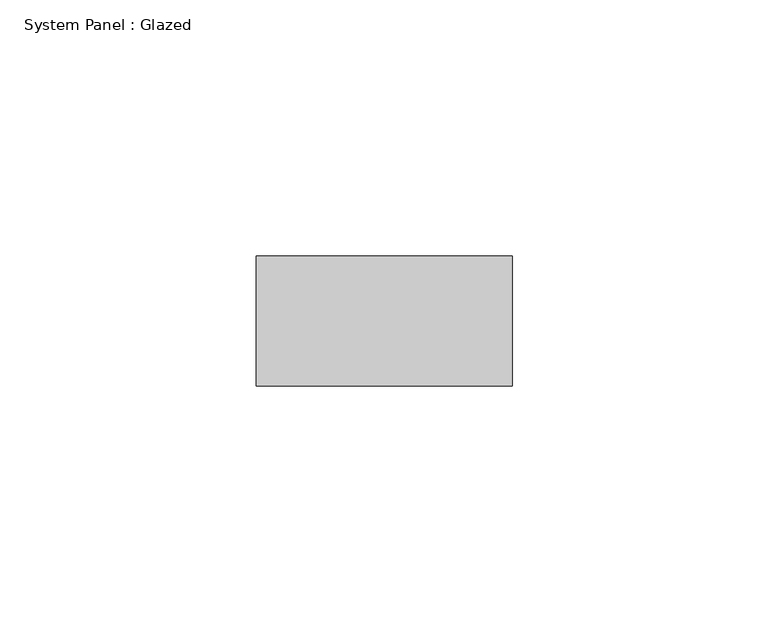
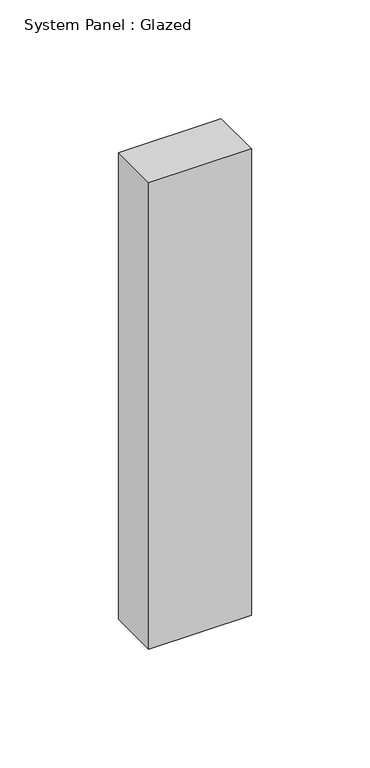
"""IFC4 building model written with IfcOpenShell, lengths in millimetres: plate geometry, System Panel : Glazed."""

from ifc_helpers import new_model, si_unit, origin, origin_with_axes, place, context, project, spatial, polyline, outline, extrude, source, transform, mapped, element, save


def system_panel_glazed_9c558220(model_context):
    return source(origin(), model_context, "Body", "SweptSolid", [
        extrude(outline(polyline([(25.0, -44.45), (-25.0, -44.45), (-25.0, -19.05), (25.0, -19.05), (25.0, -44.45)])), origin_with_axes(), (0.0, 0.0, 1.0), 240.0),
    ])


if __name__ == "__main__":
    model = new_model("IFC4")
    model_context = context("Model", 3, world=origin())
    ifc_project = project(units=[si_unit("LENGTHUNIT", "METRE", prefix="MILLI")], contexts=[model_context])
    site = spatial("IfcSite", under=ifc_project)
    building = spatial("IfcBuilding", under=site)
    placement = place(None, origin())
    system_panel_glazed_shape = system_panel_glazed_9c558220(model_context)
    element("IfcPlate", 1, ObjectType="System Panel : Glazed", at=placement, inside=building, context=model_context, shape_type="MappedRepresentation", body=[
        mapped(system_panel_glazed_shape, transform((0.0, 0.0, 0.0), x_axis=(1.0, 0.0, 0.0), y_axis=(0.0, 1.0, 0.0), z_axis=(0.0, 0.0, 1.0))),
    ])
    save(model, "model.ifc")
